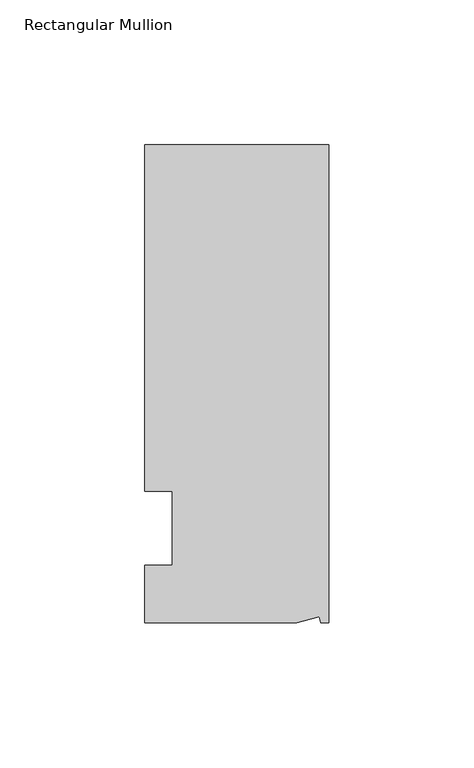
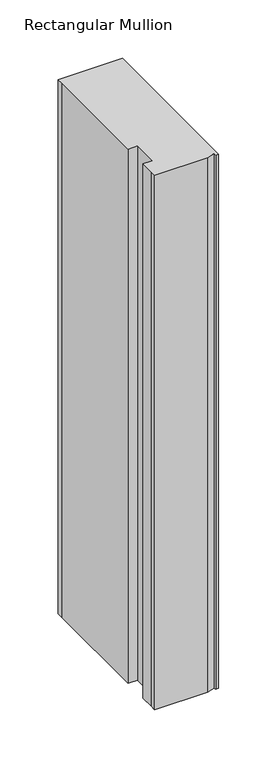
"""IFC4 building model written with IfcOpenShell, lengths in millimetres: member geometry, Rectangular Mullion."""

from ifc_helpers import new_model, si_unit, origin, place, context, project, spatial, faceted_brep, source, transform, mapped, element, save


def rectangular_mullion_157eb26f(model_context):
    return source(origin(), model_context, "Body", "Brep", [
        faceted_brep([(0.0, 132.5561012, 0.0), (-63.5, 132.5561012, 0.0), (-63.5, 126.2061012, 0.0), (-63.5, 12.8488281, 0.0), (-53.975, 12.8488281, 0.0), (-53.975, -12.7, 0.0), (-63.5, -12.7, 0.0), (-63.5, -26.1938988, 0.0), (-63.5076469, -32.5438988, 0.0), (-11.1125, -32.5438988, 0.0), (-3.3223696, -30.4565397, 0.0), (-2.7630634, -32.5438988, 0.0), (0.0, -32.5438988, 0.0), (0.0, 132.5561012, -558.8), (0.0, -32.5438988, -558.8), (-2.7630634, -32.5438988, -558.8), (-3.3223696, -30.4565397, -558.8), (-11.1125, -32.5438988, -558.8), (-63.5076469, -32.5438988, -558.8), (-63.5076469, -26.1938988, -558.8), (-63.5, -12.7, -558.8), (-53.975, -12.7, -558.8), (-53.975, 12.8488281, -558.8), (-63.5, 12.8488281, -558.8), (-63.5, 126.2061012, -558.8), (-63.5, 132.5561012, -558.8)], [[[0, 1, 2, 3, 4, 5, 6, 7, 8, 9, 10, 11, 12]], [[13, 14, 15, 16, 17, 18, 19, 20, 21, 22, 23, 24, 25]], [[0, 12, 14, 13]], [[1, 0, 13, 25]], [[3, 2, 24, 23]], [[4, 3, 23, 22]], [[5, 4, 22, 21]], [[6, 5, 21, 20]], [[7, 6, 20, 19]], [[9, 8, 18, 17]], [[10, 9, 17, 16]], [[11, 10, 16, 15]], [[12, 11, 15, 14]], [[2, 1, 25, 24]], [[8, 7, 19, 18]]]),
    ])


if __name__ == "__main__":
    model = new_model("IFC4")
    model_context = context("Model", 3, world=origin())
    ifc_project = project(units=[si_unit("LENGTHUNIT", "METRE", prefix="MILLI")], contexts=[model_context])
    site = spatial("IfcSite", under=ifc_project)
    building = spatial("IfcBuilding", under=site)
    placement = place(None, origin())
    rectangular_mullion_shape = rectangular_mullion_157eb26f(model_context)
    element("IfcMember", 1, ObjectType="Rectangular Mullion", at=placement, inside=building, context=model_context, shape_type="MappedRepresentation", body=[
        mapped(rectangular_mullion_shape, transform((0.0, 0.0, 0.0), x_axis=(1.0, 0.0, 0.0), y_axis=(0.0, 1.0, 0.0), z_axis=(0.0, 0.0, 1.0))),
    ])
    save(model, "model.ifc")
